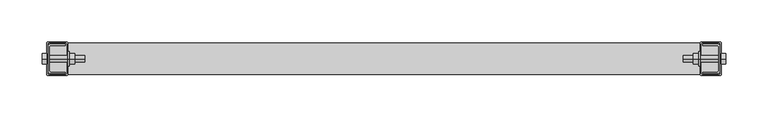
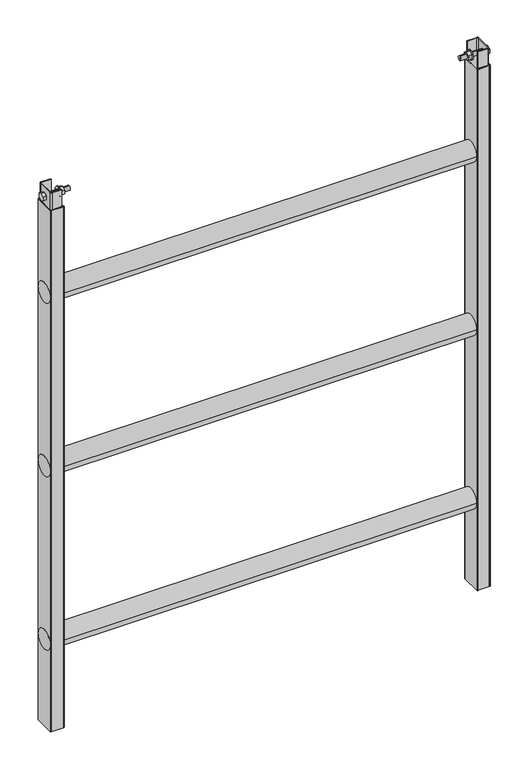
"""IFC4 building model written with IfcOpenShell, lengths in millimetres: proxy geometry."""

from ifc_helpers import new_model, si_unit, point, frame, frame_2d, origin, origin_with_axes, place, context, project, spatial, polyline, circle_curve, trimmed, segment, composite_curve, outline, extrude, source, transform, mapped, element, save
from ifc_brep_helpers import plane_surface, cylinder_surface, advanced_brep


def generic_models_cf62e7c8(model_context):
    return source(origin(), model_context, "Body", "SolidModel", [
        extrude(outline(polyline([(-6.5, 1020.7527767), (0.0, 1024.5055535), (6.5, 1020.7527767), (6.5, 1013.2472233), (0.0, 1009.4944465), (-6.5, 1013.2472233), (-6.5, 1020.7527767)])), frame((-405.5, 0.0, 0.0), z_axis=(1.0, 0.0, 0.0), x_axis=(0.0, 1.0, 0.0)), (0.0, 0.0, 1.0), 5.5),
        extrude(outline(polyline([(-6.5, 1020.7527767), (0.0, 1024.5055535), (6.5, 1020.7527767), (6.5, 1013.2472233), (0.0, 1009.4944465), (-6.5, 1013.2472233), (-6.5, 1020.7527767)])), frame((366.9, 0.0, 0.0), z_axis=(1.0, 0.0, 0.0), x_axis=(0.0, 1.0, 0.0)), (0.0, 0.0, 1.0), 6.5),
        extrude(outline(polyline([(-6.5, 1020.7527767), (0.0, 1024.5055535), (6.5, 1020.7527767), (6.5, 1013.2472233), (0.0, 1009.4944465), (-6.5, 1013.2472233), (-6.5, 1020.7527767)])), frame((400.0, 0.0, 0.0), z_axis=(1.0, 0.0, 0.0), x_axis=(0.0, 1.0, 0.0)), (0.0, 0.0, 1.0), 5.5),
        extrude(outline(polyline([(-6.5, 1020.7527767), (0.0, 1024.5055535), (6.5, 1020.7527767), (6.5, 1013.2472233), (0.0, 1009.4944465), (-6.5, 1013.2472233), (-6.5, 1020.7527767)])), frame((-373.4, 0.0, 0.0), z_axis=(1.0, 0.0, 0.0), x_axis=(0.0, 1.0, 0.0)), (0.0, 0.0, 1.0), 6.5),
        advanced_brep(
        [(-373.4, 0.0, 1012.999724), (-373.4, 0.0, 1021.000276), (-355.0, 0.0, 1021.000276), (-355.0, 0.0, 1012.999724), (-375.0, 0.0, 1012.999724), (-375.0, 0.0, 1021.000276), (-375.0, 0.0, 1025.5), (-375.0, 0.0, 1008.5), (-373.4, 0.0, 1025.5), (-373.4, 0.0, 1008.5), (-400.0, 0.0, 1012.999724), (-400.0, 0.0, 1021.000276), (-400.0, 0.0, 1017.0), (-355.0, 0.0, 1017.0)],
        [
            (0, 1, circle_curve(frame((-373.4, 0.0, 1017.0), z_axis=(1.0, 0.0, 0.0), x_axis=(0.0, 0.0, 1.0)), 4.000276)),
            (1, 2),
            (2, 3, circle_curve(frame((-355.0, 0.0, 1017.0), z_axis=(-1.0, 0.0, 0.0), x_axis=(0.0, 0.0, 1.0)), 4.000276)),
            (3, 0),
            (4, 5, circle_curve(frame((-375.0, 0.0, 1017.0), z_axis=(1.0, 0.0, 0.0), x_axis=(0.0, 0.0, 1.0)), 4.000276)),
            (5, 6),
            (6, 7, circle_curve(frame((-375.0, 0.0, 1017.0), z_axis=(-1.0, 0.0, 0.0), x_axis=(0.0, 0.0, 1.0)), 8.5)),
            (7, 4),
            (6, 8),
            (8, 9, circle_curve(frame((-373.4, 0.0, 1017.0), z_axis=(-1.0, 0.0, 0.0), x_axis=(0.0, 0.0, 1.0)), 8.5)),
            (9, 7),
            (8, 1),
            (0, 9),
            (10, 11, circle_curve(frame((-400.0, 0.0, 1017.0), z_axis=(1.0, 0.0, 0.0), x_axis=(0.0, 0.0, 1.0)), 4.000276)),
            (11, 5),
            (4, 10),
            (1, 0, circle_curve(frame((-373.4, 0.0, 1017.0), z_axis=(1.0, 0.0, 0.0), x_axis=(0.0, 0.0, 1.0)), 4.000276)),
            (3, 2, circle_curve(frame((-355.0, 0.0, 1017.0), z_axis=(-1.0, 0.0, 0.0), x_axis=(0.0, 0.0, 1.0)), 4.000276)),
            (8, 9, circle_curve(frame((-373.4, 0.0, 1017.0), z_axis=(1.0, 0.0, 0.0), x_axis=(0.0, 0.0, 1.0)), 8.5)),
            (6, 7, circle_curve(frame((-375.0, 0.0, 1017.0), z_axis=(1.0, 0.0, 0.0), x_axis=(0.0, 0.0, 1.0)), 8.5)),
            (5, 4, circle_curve(frame((-375.0, 0.0, 1017.0), z_axis=(1.0, 0.0, 0.0), x_axis=(0.0, 0.0, 1.0)), 4.000276)),
            (11, 10, circle_curve(frame((-400.0, 0.0, 1017.0), z_axis=(1.0, 0.0, 0.0), x_axis=(0.0, 0.0, 1.0)), 4.000276)),
            (12, 11),
            (10, 12),
            (2, 13),
            (13, 3),
        ],
        [
            cylinder_surface(frame((-1045.0977595, 0.0, 1017.0), z_axis=(-1.0, 0.0, 0.0), x_axis=(0.0, 0.0, 1.0)), 4.000276),
            plane_surface(frame((-375.0, 0.0, 1017.0), z_axis=(-1.0, 0.0, 0.0), x_axis=(0.0, 0.0, 1.0))),
            cylinder_surface(frame((-1045.0977595, 0.0, 1017.0), z_axis=(-1.0, 0.0, 0.0), x_axis=(0.0, 0.0, 1.0)), 8.5),
            plane_surface(frame((-373.4, 0.0, 1017.0), z_axis=(1.0, 0.0, 0.0), x_axis=(0.0, 0.0, 1.0))),
            plane_surface(frame((-400.0, 0.0, 1017.0), z_axis=(-1.0, 0.0, 0.0), x_axis=(0.0, 0.0, 1.0))),
            plane_surface(frame((-355.0, 0.0, 1017.0), z_axis=(1.0, 0.0, 0.0), x_axis=(0.0, 0.0, 1.0))),
        ],
        [
            (0, [[1, 2, 3, 4]]),
            (1, [[5, 6, 7, 8]]),
            (2, [[-7, 9, 10, 11]]),
            (3, [[-10, 12, -1, 13]]),
            (0, [[14, 15, -5, 16]]),
            (0, [[17, -4, 18, -2]]),
            (3, [[19, -13, -17, -12]]),
            (2, [[20, -11, -19, -9]]),
            (1, [[21, -8, -20, -6]]),
            (0, [[22, -16, -21, -15]]),
            (4, [[23, -14, 24]]),
            (4, [[-24, -22, -23]]),
            (5, [[-3, 25, 26]]),
            (5, [[-18, -26, -25]]),
        ],
    ),
        advanced_brep(
        [(355.0, 0.0, 1017.0), (355.0, 0.0, 1021.000276), (355.0, 0.0, 1012.999724), (373.4, 0.0, 1021.000276), (373.4, 0.0, 1012.999724), (400.0, 0.0, 1012.999724), (400.0, 0.0, 1021.000276), (400.0, 0.0, 1017.0), (375.0, 0.0, 1008.5), (375.0, 0.0, 1025.5), (375.0, 0.0, 1021.000276), (375.0, 0.0, 1012.999724), (373.4, 0.0, 1008.5), (373.4, 0.0, 1025.5)],
        [
            (0, 1),
            (1, 2, circle_curve(frame((355.0, 0.0, 1017.0), z_axis=(-1.0, 0.0, 0.0), x_axis=(0.0, 0.0, 1.0)), 4.000276)),
            (2, 0),
            (1, 3),
            (3, 4, circle_curve(frame((373.4, 0.0, 1017.0), z_axis=(-1.0, 0.0, 0.0), x_axis=(0.0, 0.0, 1.0)), 4.000276)),
            (4, 2),
            (5, 6, circle_curve(frame((400.0, 0.0, 1017.0), z_axis=(1.0, 0.0, 0.0), x_axis=(0.0, 0.0, 1.0)), 4.000276)),
            (6, 7),
            (7, 5),
            (8, 9, circle_curve(frame((375.0, 0.0, 1017.0), z_axis=(1.0, 0.0, 0.0), x_axis=(0.0, 0.0, 1.0)), 8.5)),
            (9, 10),
            (10, 11, circle_curve(frame((375.0, 0.0, 1017.0), z_axis=(-1.0, 0.0, 0.0), x_axis=(0.0, 0.0, 1.0)), 4.000276)),
            (11, 8),
            (12, 13, circle_curve(frame((373.4, 0.0, 1017.0), z_axis=(1.0, 0.0, 0.0), x_axis=(0.0, 0.0, 1.0)), 8.5)),
            (13, 9),
            (8, 12),
            (3, 13),
            (12, 4),
            (2, 1, circle_curve(frame((355.0, 0.0, 1017.0), z_axis=(-1.0, 0.0, 0.0), x_axis=(0.0, 0.0, 1.0)), 4.000276)),
            (6, 5, circle_curve(frame((400.0, 0.0, 1017.0), z_axis=(1.0, 0.0, 0.0), x_axis=(0.0, 0.0, 1.0)), 4.000276)),
            (10, 6),
            (5, 11),
            (10, 11, circle_curve(frame((375.0, 0.0, 1017.0), z_axis=(1.0, 0.0, 0.0), x_axis=(0.0, 0.0, 1.0)), 4.000276)),
            (9, 8, circle_curve(frame((375.0, 0.0, 1017.0), z_axis=(1.0, 0.0, 0.0), x_axis=(0.0, 0.0, 1.0)), 8.5)),
            (13, 12, circle_curve(frame((373.4, 0.0, 1017.0), z_axis=(1.0, 0.0, 0.0), x_axis=(0.0, 0.0, 1.0)), 8.5)),
            (3, 4, circle_curve(frame((373.4, 0.0, 1017.0), z_axis=(1.0, 0.0, 0.0), x_axis=(0.0, 0.0, 1.0)), 4.000276)),
        ],
        [
            plane_surface(frame((355.0, 0.0, 1017.0), z_axis=(-1.0, 0.0, 0.0), x_axis=(0.0, 0.0, 1.0))),
            cylinder_surface(frame((-1045.0977595, 0.0, 1017.0), z_axis=(-1.0, 0.0, 0.0), x_axis=(0.0, 0.0, 1.0)), 4.000276),
            plane_surface(frame((400.0, 0.0, 1017.0), z_axis=(1.0, 0.0, 0.0), x_axis=(0.0, 0.0, 1.0))),
            plane_surface(frame((375.0, 0.0, 1017.0), z_axis=(1.0, 0.0, 0.0), x_axis=(0.0, 0.0, 1.0))),
            cylinder_surface(frame((-1045.0977595, 0.0, 1017.0), z_axis=(-1.0, 0.0, 0.0), x_axis=(0.0, 0.0, 1.0)), 8.5),
            plane_surface(frame((373.4, 0.0, 1017.0), z_axis=(-1.0, 0.0, 0.0), x_axis=(0.0, 0.0, 1.0))),
        ],
        [
            (0, [[1, 2, 3]]),
            (1, [[-2, 4, 5, 6]]),
            (2, [[7, 8, 9]]),
            (3, [[10, 11, 12, 13]]),
            (4, [[14, 15, -10, 16]]),
            (5, [[-5, 17, -14, 18]]),
            (0, [[-3, 19, -1]]),
            (2, [[20, -9, -8]]),
            (1, [[-12, 21, -7, 22]]),
            (1, [[23, -22, -20, -21]]),
            (3, [[24, -13, -23, -11]]),
            (4, [[25, -16, -24, -15]]),
            (5, [[26, -18, -25, -17]]),
            (1, [[-19, -6, -26, -4]]),
        ],
    ),
        extrude(outline(composite_curve([segment(trimmed(circle_curve(frame_2d((-395.5151666, 14.5151666)), 1.4848334), [point((-395.5151666, 16.0))], [point((-397.0, 14.5151666))], True, "CARTESIAN"), True, "CONTINUOUS"), segment(polyline([(-397.0, 14.5151666), (-397.0, -14.5)]), True, "CONTINUOUS"), segment(trimmed(circle_curve(frame_2d((-395.5, -14.5)), 1.5), [point((-397.0, -14.5))], [point((-395.5, -16.0))], True, "CARTESIAN"), True, "CONTINUOUS"), segment(polyline([(-395.5, -16.0), (-378.004148, -16.0), (-378.004148, -17.5), (-395.5497043, -17.5)]), True, "CONTINUOUS"), segment(trimmed(circle_curve(frame_2d((-395.5497043, -14.5497043)), 2.9502957), [point((-395.5497043, -17.5))], [point((-398.5, -14.5497043))], False, "CARTESIAN"), True, "CONTINUOUS"), segment(polyline([(-398.5, -14.5497043), (-398.5, 14.5108868)]), True, "CONTINUOUS"), segment(trimmed(circle_curve(frame_2d((-395.5108868, 14.5108868)), 2.9891132), [point((-398.5, 14.5108868))], [point((-395.5108868, 17.5))], False, "CARTESIAN"), True, "CONTINUOUS"), segment(polyline([(-395.5108868, 17.5), (-378.004148, 17.5), (-378.004148, 16.0), (-395.5151666, 16.0)]), True, "CONTINUOUS")], self_intersect=False)), frame((0.0, 0.0, 1000.0), z_axis=(0.0, 0.0, 1.0), x_axis=(1.0, 0.0, 0.0)), (0.0, 0.0, 1.0), 32.0),
        extrude(outline(composite_curve([segment(polyline([(395.5151666, 16.0), (378.004148, 16.0), (378.004148, 17.5), (395.5108868, 17.5)]), True, "CONTINUOUS"), segment(trimmed(circle_curve(frame_2d((395.5108868, 14.5108868)), 2.9891132), [point((395.5108868, 17.5))], [point((398.5, 14.5108868))], False, "CARTESIAN"), True, "CONTINUOUS"), segment(polyline([(398.5, 14.5108868), (398.5, -14.5497043)]), True, "CONTINUOUS"), segment(trimmed(circle_curve(frame_2d((395.5497043, -14.5497043)), 2.9502957), [point((398.5, -14.5497043))], [point((395.5497043, -17.5))], False, "CARTESIAN"), True, "CONTINUOUS"), segment(polyline([(395.5497043, -17.5), (378.004148, -17.5), (378.004148, -16.0), (395.5, -16.0)]), True, "CONTINUOUS"), segment(trimmed(circle_curve(frame_2d((395.5, -14.5)), 1.5), [point((395.5, -16.0))], [point((397.0, -14.5))], True, "CARTESIAN"), True, "CONTINUOUS"), segment(polyline([(397.0, -14.5), (397.0, 14.5151666)]), True, "CONTINUOUS"), segment(trimmed(circle_curve(frame_2d((395.5151666, 14.5151666)), 1.4848334), [point((397.0, 14.5151666))], [point((395.5151666, 16.0))], True, "CARTESIAN"), True, "CONTINUOUS")], self_intersect=False)), frame((0.0, 0.0, 1000.0), z_axis=(0.0, 0.0, 1.0), x_axis=(1.0, 0.0, 0.0)), (0.0, 0.0, 1.0), 32.0),
        extrude(outline(composite_curve([segment(trimmed(circle_curve(frame_2d((0.0, 166.5115025)), 18.5), [point((-18.5, 166.5115025))], [point((18.5, 166.5115025))], False, "CARTESIAN"), True, "CONTINUOUS"), segment(trimmed(circle_curve(frame_2d((0.0, 166.5115025)), 18.5), [point((18.5, 166.5115025))], [point((-18.5, 166.5115025))], False, "CARTESIAN"), True, "CONTINUOUS")], self_intersect=False)), frame((-400.0, 0.0, 0.0), z_axis=(1.0, 0.0, 0.0), x_axis=(0.0, 1.0, 0.0)), (0.0, 0.0, 1.0), 800.0),
        extrude(outline(composite_curve([segment(trimmed(circle_curve(frame_2d((0.0, 499.5100647)), 18.5), [point((-18.5, 499.5100647))], [point((18.5, 499.5100647))], False, "CARTESIAN"), True, "CONTINUOUS"), segment(trimmed(circle_curve(frame_2d((0.0, 499.5100647)), 18.5), [point((18.5, 499.5100647))], [point((-18.5, 499.5100647))], False, "CARTESIAN"), True, "CONTINUOUS")], self_intersect=False)), frame((-400.0, 0.0, 0.0), z_axis=(1.0, 0.0, 0.0), x_axis=(0.0, 1.0, 0.0)), (0.0, 0.0, 1.0), 800.0),
        extrude(outline(composite_curve([segment(trimmed(circle_curve(frame_2d((0.0, 832.5086268)), 18.5), [point((-18.5, 832.5086268))], [point((18.5, 832.5086268))], False, "CARTESIAN"), True, "CONTINUOUS"), segment(trimmed(circle_curve(frame_2d((0.0, 832.5086268)), 18.5), [point((18.5, 832.5086268))], [point((-18.5, 832.5086268))], False, "CARTESIAN"), True, "CONTINUOUS")], self_intersect=False)), frame((-400.0, 0.0, 0.0), z_axis=(1.0, 0.0, 0.0), x_axis=(0.0, 1.0, 0.0)), (0.0, 0.0, 1.0), 800.0),
        extrude(outline(composite_curve([segment(trimmed(circle_curve(frame_2d((-398.5, 18.5)), 1.5), [point((-400.0, 18.5))], [point((-398.5, 20.0))], False, "CARTESIAN"), True, "CONTINUOUS"), segment(polyline([(-398.5, 20.0), (-376.5, 20.0)]), True, "CONTINUOUS"), segment(trimmed(circle_curve(frame_2d((-376.5, 18.5)), 1.5), [point((-376.5, 20.0))], [point((-375.0, 18.5))], False, "CARTESIAN"), True, "CONTINUOUS"), segment(polyline([(-375.0, 18.5), (-375.0, -18.4942835)]), True, "CONTINUOUS"), segment(trimmed(circle_curve(frame_2d((-376.5057165, -18.4942835)), 1.5057165), [point((-375.0, -18.4942835))], [point((-376.5057165, -20.0))], False, "CARTESIAN"), True, "CONTINUOUS"), segment(polyline([(-376.5057165, -20.0), (-398.5, -20.0)]), True, "CONTINUOUS"), segment(trimmed(circle_curve(frame_2d((-398.5, -18.5)), 1.5), [point((-398.5, -20.0))], [point((-400.0, -18.5))], False, "CARTESIAN"), True, "CONTINUOUS"), segment(polyline([(-400.0, -18.5), (-400.0, 18.5)]), True, "CONTINUOUS")], self_intersect=False), holes=[composite_curve([segment(polyline([(-398.5, 17.1), (-398.5, -17.1)]), True, "CONTINUOUS"), segment(trimmed(circle_curve(frame_2d((-397.1, -17.1)), 1.4), [point((-398.5, -17.1))], [point((-397.1, -18.5))], True, "CARTESIAN"), True, "CONTINUOUS"), segment(polyline([(-397.1, -18.5), (-377.9245905, -18.5)]), True, "CONTINUOUS"), segment(trimmed(circle_curve(frame_2d((-377.9245905, -17.0754095)), 1.4245905), [point((-377.9245905, -18.5))], [point((-376.5, -17.0754095))], True, "CARTESIAN"), True, "CONTINUOUS"), segment(polyline([(-376.5, -17.0754095), (-376.5, 17.1270844)]), True, "CONTINUOUS"), segment(trimmed(circle_curve(frame_2d((-377.8729156, 17.1270844)), 1.3729156), [point((-376.5, 17.1270844))], [point((-377.8729156, 18.5))], True, "CARTESIAN"), True, "CONTINUOUS"), segment(polyline([(-377.8729156, 18.5), (-397.1, 18.5)]), True, "CONTINUOUS"), segment(trimmed(circle_curve(frame_2d((-397.1, 17.1)), 1.4), [point((-397.1, 18.5))], [point((-398.5, 17.1))], True, "CARTESIAN"), True, "CONTINUOUS")], self_intersect=False)]), origin_with_axes(), (0.0, 0.0, 1.0), 1000.0),
        extrude(outline(composite_curve([segment(polyline([(400.0, 18.5), (400.0, -18.5)]), True, "CONTINUOUS"), segment(trimmed(circle_curve(frame_2d((398.5, -18.5)), 1.5), [point((400.0, -18.5))], [point((398.5, -20.0))], False, "CARTESIAN"), True, "CONTINUOUS"), segment(polyline([(398.5, -20.0), (376.5057165, -20.0)]), True, "CONTINUOUS"), segment(trimmed(circle_curve(frame_2d((376.5057165, -18.4942835)), 1.5057165), [point((376.5057165, -20.0))], [point((375.0, -18.4942835))], False, "CARTESIAN"), True, "CONTINUOUS"), segment(polyline([(375.0, -18.4942835), (375.0, 18.5)]), True, "CONTINUOUS"), segment(trimmed(circle_curve(frame_2d((376.5, 18.5)), 1.5), [point((375.0, 18.5))], [point((376.5, 20.0))], False, "CARTESIAN"), True, "CONTINUOUS"), segment(polyline([(376.5, 20.0), (398.5, 20.0)]), True, "CONTINUOUS"), segment(trimmed(circle_curve(frame_2d((398.5, 18.5)), 1.5), [point((398.5, 20.0))], [point((400.0, 18.5))], False, "CARTESIAN"), True, "CONTINUOUS")], self_intersect=False), holes=[composite_curve([segment(trimmed(circle_curve(frame_2d((397.1, 17.1)), 1.4), [point((398.5, 17.1))], [point((397.1, 18.5))], True, "CARTESIAN"), True, "CONTINUOUS"), segment(polyline([(397.1, 18.5), (377.8729156, 18.5)]), True, "CONTINUOUS"), segment(trimmed(circle_curve(frame_2d((377.8729156, 17.1270844)), 1.3729156), [point((377.8729156, 18.5))], [point((376.5, 17.1270844))], True, "CARTESIAN"), True, "CONTINUOUS"), segment(polyline([(376.5, 17.1270844), (376.5, -17.0754095)]), True, "CONTINUOUS"), segment(trimmed(circle_curve(frame_2d((377.9245905, -17.0754095)), 1.4245905), [point((376.5, -17.0754095))], [point((377.9245905, -18.5))], True, "CARTESIAN"), True, "CONTINUOUS"), segment(polyline([(377.9245905, -18.5), (397.1, -18.5)]), True, "CONTINUOUS"), segment(trimmed(circle_curve(frame_2d((397.1, -17.1)), 1.4), [point((397.1, -18.5))], [point((398.5, -17.1))], True, "CARTESIAN"), True, "CONTINUOUS"), segment(polyline([(398.5, -17.1), (398.5, 17.1)]), True, "CONTINUOUS")], self_intersect=False)]), origin_with_axes(), (0.0, 0.0, 1.0), 1000.0),
    ])


if __name__ == "__main__":
    model = new_model("IFC4")
    model_context = context("Model", 3, world=origin())
    ifc_project = project(units=[si_unit("LENGTHUNIT", "METRE", prefix="MILLI")], contexts=[model_context])
    site = spatial("IfcSite", under=ifc_project)
    building = spatial("IfcBuilding", under=site)
    placement = place(None, origin())
    generic_models_shape = generic_models_cf62e7c8(model_context)
    element("IfcBuildingElementProxy", 1, Name="Generic Models", at=placement, inside=building, context=model_context, shape_type="MappedRepresentation", body=[
        mapped(generic_models_shape, transform((0.0, 0.0, 0.0), x_axis=(1.0, 0.0, 0.0), y_axis=(0.0, 1.0, 0.0), z_axis=(0.0, 0.0, 1.0))),
    ])
    save(model, "model.ifc")
